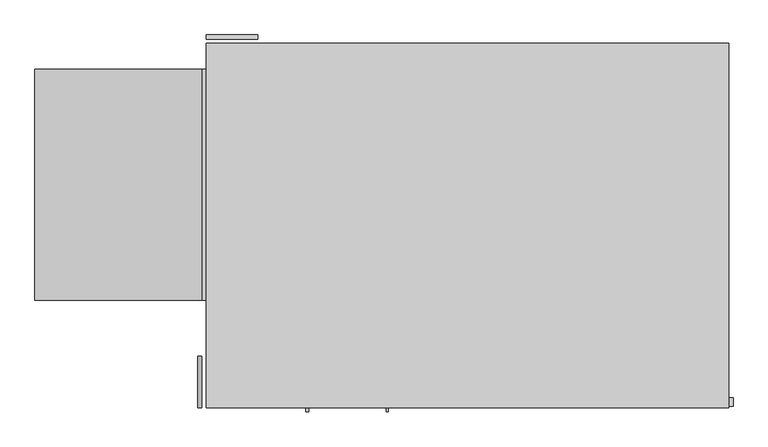
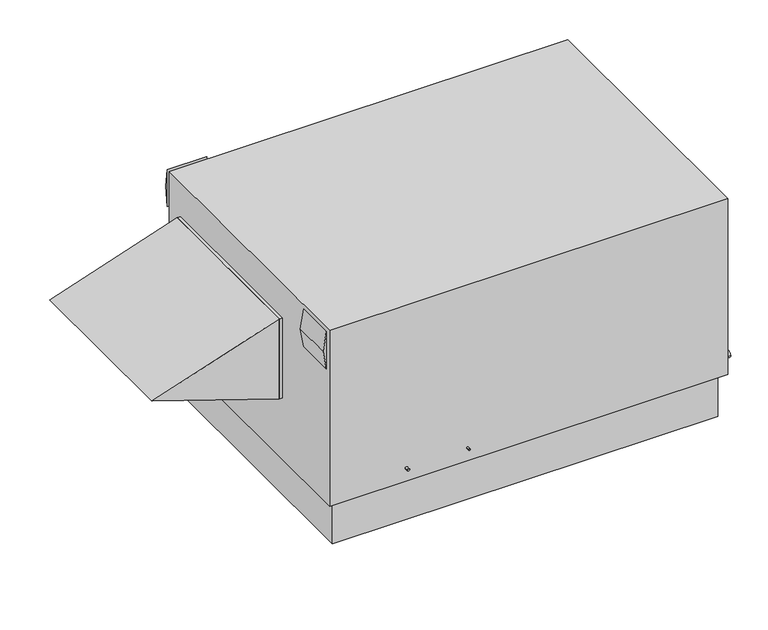
"""IFC4 building model written with IfcOpenShell, lengths in millimetres: proxy geometry."""

import ifcopenshell
import ifcopenshell.guid

model = None  # the IFC model being written
_history = None  # IfcOwnerHistory: only IFC2X3 demands one
_inside = {}  # id of a spatial element -> (the spatial element, [elements in it])
_under = {}  # id of a project, library or spatial element -> (it, [spatial elements below it])
_declared = {}  # id of a project -> (the project, [libraries it declares])
_typed = {}  # id of a type object -> (the type object, [elements of that type])
_made_of = {}  # id of a material, layer set ... -> (it, [elements and type objects made of it])


def new_model(schema):
    """Start an empty IFC model of exactly this schema.

    Asked for "IFC4X3", IfcOpenShell would pick the latest addendum, in which some entities
    have other attributes; the version numbers below select the first issue.
    IFC2X3 requires an IfcOwnerHistory on every rooted entity: one is made here for all.
    """
    global model, _history
    if schema == "IFC4X3":
        model = ifcopenshell.file(schema_version=(4, 3, 0, 0))
    else:
        model = ifcopenshell.file(schema=schema)
    _inside.clear()
    _under.clear()
    _declared.clear()
    _typed.clear()
    _made_of.clear()
    _history = None
    if model.schema == "IFC2X3":
        org = make("IfcOrganization", Name="unknown")
        user = make(
            "IfcPersonAndOrganization",
            ThePerson=make("IfcPerson", FamilyName="unknown"),
            TheOrganization=org,
        )
        app = make(
            "IfcApplication",
            ApplicationDeveloper=org,
            Version="unknown",
            ApplicationFullName="unknown",
            ApplicationIdentifier="unknown",
        )
        _history = make(
            "IfcOwnerHistory",
            OwningUser=user,
            OwningApplication=app,
            ChangeAction="ADDED",
            CreationDate=0,
        )
    return model


def make(cls, **values):
    """One entity of the class cls with the attributes given. An attribute that is None is left unset."""
    return model.create_entity(
        cls, **{name: value for name, value in values.items() if value is not None}
    )


def rooted(cls, **values):
    """An entity with a GlobalId (a new one), such as an element, a storey or a relation."""
    return make(cls, GlobalId=ifcopenshell.guid.new(), OwnerHistory=_history, **values)


def si_unit(unit_type, name, prefix=None):
    """IfcSIUnit, for example si_unit("LENGTHUNIT", "METRE", prefix="MILLI")."""
    return make("IfcSIUnit", UnitType=unit_type, Prefix=prefix, Name=name)


def assignment(units):
    """IfcUnitAssignment: the units of a project."""
    return None if units is None else make("IfcUnitAssignment", Units=units)


def point(xyz):
    """IfcCartesianPoint."""
    return None if xyz is None else make("IfcCartesianPoint", Coordinates=xyz)


def direction(xyz):
    """IfcDirection."""
    return None if xyz is None else make("IfcDirection", DirectionRatios=xyz)


def frame(location, z_axis=None, x_axis=None):
    """IfcAxis2Placement3D, a coordinate frame: its origin and axes. An axis left out is left unset."""
    return make(
        "IfcAxis2Placement3D",
        Location=point(location),
        Axis=direction(z_axis),
        RefDirection=direction(x_axis),
    )


def origin():
    """The frame at (0, 0, 0) with its axes left unset."""
    return frame((0.0, 0.0, 0.0))


def place(relative_to, where):
    """IfcLocalPlacement: puts the frame where relative to a parent placement (None: the world)."""
    return make(
        "IfcLocalPlacement", PlacementRelTo=relative_to, RelativePlacement=where
    )


def context(
    kind, dimensions, precision=None, world=None, true_north=None, identifier=None
):
    """IfcGeometricRepresentationContext, for example the 3D "Model" context."""
    return make(
        "IfcGeometricRepresentationContext",
        ContextIdentifier=identifier,
        ContextType=kind,
        CoordinateSpaceDimension=dimensions,
        Precision=precision,
        WorldCoordinateSystem=world,
        TrueNorth=true_north,
    )


def project(units=None, contexts=None):
    """IfcProject with its units and contexts."""
    return rooted(
        "IfcProject",
        Name="project",
        RepresentationContexts=contexts,
        UnitsInContext=assignment(units),
    )


def spatial(cls, under=None, at=None, **own):
    """A site, building, storey or space (cls), placed at a placement, below another one or the project."""
    s = rooted(cls, ObjectPlacement=at, **own)
    if under is not None:
        _under.setdefault(under.id(), (under, []))[1].append(s)
    return s


def polyline(points):
    """IfcPolyline through the points."""
    return make("IfcPolyline", Points=[point(p) for p in points])


def circle_curve(where, radius):
    """IfcCircle in the frame where."""
    return make("IfcCircle", Position=where, Radius=radius)


def outline(outer, holes=None, kind="AREA"):
    """IfcArbitraryClosedProfileDef: a profile drawn as a closed curve; with holes, ...WithVoids."""
    if holes is None:
        return make("IfcArbitraryClosedProfileDef", ProfileType=kind, OuterCurve=outer)
    return make(
        "IfcArbitraryProfileDefWithVoids",
        ProfileType=kind,
        OuterCurve=outer,
        InnerCurves=holes,
    )


def extrude(swept, where, along, depth):
    """IfcExtrudedAreaSolid: the profile swept, set in the frame where, extruded along a direction by depth."""
    return make(
        "IfcExtrudedAreaSolid",
        SweptArea=swept,
        Position=where,
        ExtrudedDirection=direction(along),
        Depth=depth,
    )


def shape(context_of_items, identifier, shape_type, items):
    """IfcShapeRepresentation: the items that make up one representation, for example the "Body"."""
    return make(
        "IfcShapeRepresentation",
        ContextOfItems=context_of_items,
        RepresentationIdentifier=identifier,
        RepresentationType=shape_type,
        Items=items,
    )


def source(mapping_origin, context_of_items, identifier, shape_type, items):
    """IfcRepresentationMap: a shape defined once, which mapped items show again and again."""
    return make(
        "IfcRepresentationMap",
        MappingOrigin=mapping_origin,
        MappedRepresentation=shape(context_of_items, identifier, shape_type, items),
    )


def transform(
    local_origin,
    x_axis=None,
    y_axis=None,
    z_axis=None,
    scale=None,
    scale2=None,
    scale3=None,
    uniform=True,
):
    """IfcCartesianTransformationOperator3D, or its non-uniform kind. x_axis, y_axis, z_axis: its Axis1, 2, 3."""
    if uniform:
        return make(
            "IfcCartesianTransformationOperator3D",
            Axis1=direction(x_axis),
            Axis2=direction(y_axis),
            LocalOrigin=point(local_origin),
            Scale=scale,
            Axis3=direction(z_axis),
        )
    return make(
        "IfcCartesianTransformationOperator3DnonUniform",
        Axis1=direction(x_axis),
        Axis2=direction(y_axis),
        LocalOrigin=point(local_origin),
        Scale=scale,
        Axis3=direction(z_axis),
        Scale2=scale2,
        Scale3=scale3,
    )


def mapped(mapping_source, mapping_target):
    """IfcMappedItem: shows the shape of a source again, moved by a transform."""
    return make(
        "IfcMappedItem", MappingSource=mapping_source, MappingTarget=mapping_target
    )


def made_of(thing, what):
    """Note that an element or type object is made of a material, layer set ...; save() writes the relation."""
    if what is not None:
        _made_of.setdefault(what.id(), (what, []))[1].append(thing)
    return thing


def element(
    cls,
    number,
    at=None,
    inside=None,
    cuts=None,
    type_object=None,
    material=None,
    context=None,
    identifier="Body",
    shape_type=None,
    held_by="IfcProductDefinitionShape",
    body=None,
    shapes=None,
    **own,
):
    """One element of the class cls, such as IfcWall. Its Tag is "e" and its number.

    at: its placement. inside: the storey or other place that contains it. cuts: it is an
    opening in that element (IfcRelVoidsElement). A single representation is given by context,
    identifier, shape_type and body (its items); several are given by shapes. held_by: the class
    of the entity that holds the representations. save() writes the other relations.
    """
    e = rooted(cls, Tag="e%d" % number, ObjectPlacement=at, **own)
    if body is not None:
        shapes = [shape(context, identifier, shape_type, body)]
    if shapes is not None:
        e.Representation = make(held_by, Representations=shapes)
    if inside is not None:
        _inside.setdefault(inside.id(), (inside, []))[1].append(e)
    if cuts is not None:
        rooted(
            "IfcRelVoidsElement", RelatingBuildingElement=cuts, RelatedOpeningElement=e
        )
    if type_object is not None:
        _typed.setdefault(type_object.id(), (type_object, []))[1].append(e)
    return made_of(e, material)


def aggregate(whole, parts):
    """IfcRelAggregates: a whole, such as a stair, and the parts it consists of."""
    return rooted("IfcRelAggregates", RelatingObject=whole, RelatedObjects=parts)


def save(model, path):
    """Write the relations noted so far, then the file.

    IfcRelAggregates (storeys below a building ...), IfcRelContainedInSpatialStructure (elements
    in a storey), IfcRelDefinesByType, IfcRelAssociatesMaterial and IfcRelDeclares: one each for
    every whole, place, type object, material and project.
    """
    for whole, parts in _under.values():
        aggregate(whole, parts)
    for where, things in _inside.values():
        rooted(
            "IfcRelContainedInSpatialStructure",
            RelatedElements=things,
            RelatingStructure=where,
        )
    for kind, things in _typed.values():
        rooted("IfcRelDefinesByType", RelatedObjects=things, RelatingType=kind)
    for what, things in _made_of.values():
        rooted("IfcRelAssociatesMaterial", RelatedObjects=things, RelatingMaterial=what)
    for by, libraries in _declared.values():
        rooted("IfcRelDeclares", RelatingContext=by, RelatedDefinitions=libraries)
    model.write(path)


def plane_surface(at):
    """IfcPlane: the flat surface through the origin of the frame at, square to its z axis."""
    return make("IfcPlane", Position=at)


def cylinder_surface(at, radius):
    """IfcCylindricalSurface: all points at the distance radius from the z axis of the frame at."""
    return make("IfcCylindricalSurface", Position=at, Radius=radius)


def advanced_brep(points, edges, surfaces, faces):
    """IfcAdvancedBrep: a solid bounded by faces that lie on surfaces and meet in shared edges.

    An edge is (start, end): straight between two places in points (the first is 0);
    or (start, end, curve); or (start, end, curve, False) where it runs against its curve.
    A face is (place in surfaces, loops), or (place, loops, False) where it looks against
    its surface's normal. A loop lists edges by number (the first is 1), with a minus sign
    where the edge is run from its end to its start. The first loop is the outer one.
    """
    corners = [point(p) for p in points]
    vertices = [make("IfcVertexPoint", VertexGeometry=c) for c in corners]
    made = []
    for start, end, *more in edges:
        made.append(
            make(
                "IfcEdgeCurve",
                EdgeStart=vertices[start],
                EdgeEnd=vertices[end],
                EdgeGeometry=more[0] if more else make("IfcPolyline", Points=[corners[start], corners[end]]),
                SameSense=more[1] if len(more) > 1 else True,
            )
        )
    hull = []
    for where, loops, *sense in faces:
        bounds = []
        for j, loop in enumerate(loops):
            ring = [make("IfcOrientedEdge", EdgeElement=made[abs(k) - 1], Orientation=k > 0) for k in loop]
            bounds.append(
                make(
                    "IfcFaceOuterBound" if j == 0 else "IfcFaceBound",
                    Bound=make("IfcEdgeLoop", EdgeList=ring),
                    Orientation=True,
                )
            )
        hull.append(make("IfcAdvancedFace", Bounds=bounds, FaceSurface=surfaces[where], SameSense=sense[0] if sense else True))
    return make("IfcAdvancedBrep", Outer=make("IfcClosedShell", CfsFaces=hull))


def mechanical_equipment_b6ca639b(model_context):
    return source(origin(), model_context, "Body", "SolidModel", [
        extrude(outline(polyline([(508.0, -3124.2), (1168.4, -3124.2), (838.2, -4114.8), (508.0, -3124.2)])), frame((0.0, 635.0, 0.0), z_axis=(0.0, 1.0, 0.0), x_axis=(0.0, 0.0, 1.0)), (0.0, 0.0, 1.0), 1371.6),
        extrude(outline(polyline([(-3124.2, 635.0), (-3124.2, 2006.6), (-3098.8, 2006.6), (-3098.8, 635.0), (-3124.2, 635.0)])), frame((0.0, 0.0, 508.0), z_axis=(0.0, 0.0, 1.0), x_axis=(1.0, 0.0, 0.0)), (0.0, 0.0, 1.0), 660.4),
        extrude(outline(polyline([(1143.0, -3124.2), (1447.8, -3124.2), (1295.4, -3149.6), (1143.0, -3124.2)])), frame((0.0, 0.0, 0.0), z_axis=(0.0, 1.0, 0.0), x_axis=(0.0, 0.0, 1.0)), (0.0, 0.0, 1.0), 304.8),
        extrude(outline(polyline([(2184.4, 1143.0), (2184.4, 1447.8), (2209.8, 1295.4), (2184.4, 1143.0)])), frame((-3098.8, 0.0, 0.0), z_axis=(1.0, 0.0, 0.0), x_axis=(0.0, 1.0, 0.0)), (0.0, 0.0, 1.0), 304.8),
        extrude(outline(polyline([(-50.8, 2108.2), (-50.8, 50.8), (-3048.0, 50.8), (-3048.0, 2108.2), (-50.8, 2108.2)])), frame((0.0, 0.0, -355.6), z_axis=(0.0, 0.0, 1.0), x_axis=(1.0, 0.0, 0.0)), (0.0, 0.0, 1.0), 355.6),
        advanced_brep(
        [(0.0, 2159.0, 1447.8), (-3098.8, 2159.0, 1447.8), (-3098.8, 0.0, 1447.8), (0.0, 0.0, 1447.8), (0.0, 2159.0, 0.0), (0.0, 0.0, 0.0), (-3098.8, 0.0, 0.0), (-3098.8, 2159.0, 0.0), (-2438.4, 2057.4, 0.0), (-2997.2, 2057.4, 0.0), (-2997.2, 76.2, 0.0), (-2438.4, 76.2, 0.0), (-1041.4, 2057.4, 0.0), (-1752.6, 2057.4, 0.0), (-1752.6, 279.4, 0.0), (-1041.4, 279.4, 0.0), (-2019.3, 0.0, 107.95), (-2032.0, 0.0, 107.95), (-2490.7875, 0.0, 107.95), (-2509.8375, 0.0, 107.95), (0.0, 58.7375, 142.875), (0.0, 7.9375, 142.875), (-2438.4, 2057.4, 107.95), (-2438.4, 76.2, 107.95), (-2997.2, 76.2, 107.95), (-2997.2, 2057.4, 107.95), (-1041.4, 2057.4, 107.95), (-1041.4, 279.4, 107.95), (-1752.6, 279.4, 107.95), (-1752.6, 2057.4, 107.95), (-2032.0, -25.5724411, 107.95), (-2019.3, -25.5724411, 107.95), (25.4, 7.9375, 142.875), (25.4, 58.7375, 142.875), (-2509.8375, -25.5724411, 107.95), (-2490.7875, -25.5724411, 107.95)],
        [
            (0, 1),
            (1, 2),
            (2, 3),
            (3, 0),
            (4, 5),
            (5, 6),
            (6, 7),
            (7, 4),
            (8, 9),
            (9, 10),
            (10, 11),
            (11, 8),
            (12, 13),
            (13, 14),
            (14, 15),
            (15, 12),
            (0, 4),
            (7, 1),
            (6, 2),
            (5, 3),
            (16, 17, circle_curve(frame((-2025.65, 0.0, 107.95), z_axis=(0.0, 1.0, 0.0), x_axis=(1.0, 0.0, 0.0)), 6.35)),
            (17, 16, circle_curve(frame((-2025.65, 0.0, 107.95), z_axis=(0.0, 1.0, 0.0), x_axis=(1.0, 0.0, 0.0)), 6.35)),
            (18, 19, circle_curve(frame((-2500.3125, 0.0, 107.95), z_axis=(0.0, 1.0, 0.0), x_axis=(1.0, 0.0, 0.0)), 9.525)),
            (19, 18, circle_curve(frame((-2500.3125, 0.0, 107.95), z_axis=(0.0, 1.0, 0.0), x_axis=(1.0, 0.0, 0.0)), 9.525)),
            (20, 21, circle_curve(frame((0.0, 33.3375, 142.875), z_axis=(-1.0, 0.0, 0.0), x_axis=(0.0, 1.0, 0.0)), 25.4)),
            (21, 20, circle_curve(frame((0.0, 33.3375, 142.875), z_axis=(-1.0, 0.0, 0.0), x_axis=(0.0, 1.0, 0.0)), 25.4)),
            (22, 23),
            (23, 24),
            (24, 25),
            (25, 22),
            (26, 27),
            (27, 28),
            (28, 29),
            (29, 26),
            (25, 9),
            (8, 22),
            (24, 10),
            (23, 11),
            (29, 13),
            (12, 26),
            (28, 14),
            (27, 15),
            (30, 31, circle_curve(frame((-2025.65, -25.5724411, 107.95), z_axis=(0.0, -1.0, 0.0), x_axis=(1.0, 0.0, 0.0)), 6.35)),
            (31, 30, circle_curve(frame((-2025.65, -25.5724411, 107.95), z_axis=(0.0, -1.0, 0.0), x_axis=(1.0, 0.0, 0.0)), 6.35)),
            (30, 17),
            (16, 31),
            (32, 33, circle_curve(frame((25.4, 33.3375, 142.875), z_axis=(1.0, 0.0, 0.0), x_axis=(0.0, 1.0, 0.0)), 25.4)),
            (33, 32, circle_curve(frame((25.4, 33.3375, 142.875), z_axis=(1.0, 0.0, 0.0), x_axis=(0.0, 1.0, 0.0)), 25.4)),
            (32, 21),
            (20, 33),
            (34, 35, circle_curve(frame((-2500.3125, -25.5724411, 107.95), z_axis=(0.0, -1.0, 0.0), x_axis=(1.0, 0.0, 0.0)), 9.525)),
            (35, 34, circle_curve(frame((-2500.3125, -25.5724411, 107.95), z_axis=(0.0, -1.0, 0.0), x_axis=(1.0, 0.0, 0.0)), 9.525)),
            (34, 19),
            (18, 35),
        ],
        [
            plane_surface(frame((-3098.8, 2159.0, 1447.8), z_axis=(0.0, 0.0, 1.0), x_axis=(-1.0, 0.0, 0.0))),
            plane_surface(frame((-3098.8, 2159.0, 0.0), z_axis=(0.0, 0.0, -1.0), x_axis=(1.0, 0.0, 0.0))),
            plane_surface(frame((0.0, 2159.0, 1447.8), z_axis=(0.0, 1.0, 0.0), x_axis=(0.0, 0.0, -1.0))),
            plane_surface(frame((-3098.8, 2159.0, 1447.8), z_axis=(-1.0, 0.0, 0.0), x_axis=(0.0, 0.0, -1.0))),
            plane_surface(frame((-3098.8, 0.0, 1447.8), z_axis=(0.0, -1.0, 0.0), x_axis=(0.0, 0.0, -1.0))),
            plane_surface(frame((0.0, 0.0, 1447.8), z_axis=(1.0, 0.0, 0.0), x_axis=(0.0, 0.0, -1.0))),
            plane_surface(frame((-2997.2, 2057.4, 107.95), z_axis=(0.0, 0.0, -1.0), x_axis=(-1.0, 0.0, 0.0))),
            plane_surface(frame((-2438.4, 2057.4, 107.95), z_axis=(0.0, -1.0, 0.0), x_axis=(0.0, 0.0, -1.0))),
            plane_surface(frame((-2997.2, 2057.4, 107.95), z_axis=(1.0, 0.0, 0.0), x_axis=(0.0, 0.0, -1.0))),
            plane_surface(frame((-2997.2, 76.2, 107.95), z_axis=(0.0, 1.0, 0.0), x_axis=(0.0, 0.0, -1.0))),
            plane_surface(frame((-2438.4, 76.2, 107.95), z_axis=(-1.0, 0.0, 0.0), x_axis=(0.0, 0.0, -1.0))),
            plane_surface(frame((-1041.4, 2057.4, 107.95), z_axis=(0.0, -1.0, 0.0), x_axis=(0.0, 0.0, -1.0))),
            plane_surface(frame((-1752.6, 2057.4, 107.95), z_axis=(1.0, 0.0, 0.0), x_axis=(0.0, 0.0, -1.0))),
            plane_surface(frame((-1752.6, 279.4, 107.95), z_axis=(0.0, 1.0, 0.0), x_axis=(0.0, 0.0, -1.0))),
            plane_surface(frame((-1041.4, 279.4, 107.95), z_axis=(-1.0, 0.0, 0.0), x_axis=(0.0, 0.0, -1.0))),
            plane_surface(frame((-2019.3, -25.5724411, 107.95), z_axis=(0.0, -1.0, 0.0), x_axis=(0.0, 0.0, 1.0))),
            cylinder_surface(frame((-2025.65, 0.0, 107.95), z_axis=(0.0, -1.0, 0.0), x_axis=(1.0, 0.0, 0.0)), 6.35),
            plane_surface(frame((25.4, 58.7375, 142.875), z_axis=(1.0, 0.0, 0.0), x_axis=(0.0, 0.0, 1.0))),
            cylinder_surface(frame((0.0, 33.3375, 142.875), z_axis=(1.0, 0.0, 0.0), x_axis=(0.0, 1.0, 0.0)), 25.4),
            plane_surface(frame((-2490.7875, -25.5724411, 107.95), z_axis=(0.0, -1.0, 0.0), x_axis=(0.0, 0.0, 1.0))),
            cylinder_surface(frame((-2500.3125, 0.0, 107.95), z_axis=(0.0, -1.0, 0.0), x_axis=(1.0, 0.0, 0.0)), 9.525),
        ],
        [
            (0, [[1, 2, 3, 4]]),
            (1, [[5, 6, 7, 8], [9, 10, 11, 12], [13, 14, 15, 16]]),
            (2, [[-1, 17, -8, 18]]),
            (3, [[-2, -18, -7, 19]]),
            (4, [[-3, -19, -6, 20], [21, 22], [23, 24]]),
            (5, [[-4, -20, -5, -17], [25, 26]]),
            (6, [[27, 28, 29, 30]]),
            (6, [[31, 32, 33, 34]]),
            (7, [[-30, 35, -9, 36]]),
            (8, [[-29, 37, -10, -35]]),
            (9, [[-28, 38, -11, -37]]),
            (10, [[-27, -36, -12, -38]]),
            (11, [[-34, 39, -13, 40]]),
            (12, [[-33, 41, -14, -39]]),
            (13, [[-32, 42, -15, -41]]),
            (14, [[-31, -40, -16, -42]]),
            (15, [[43, 44]]),
            (16, [[-43, 45, -21, 46]]),
            (16, [[-44, -46, -22, -45]]),
            (17, [[47, 48]]),
            (18, [[-47, 49, -25, 50]]),
            (18, [[-48, -50, -26, -49]]),
            (19, [[51, 52]]),
            (20, [[-51, 53, -23, 54]]),
            (20, [[-52, -54, -24, -53]]),
        ],
    ),
    ])


if __name__ == "__main__":
    model = new_model("IFC4")
    model_context = context("Model", 3, world=origin())
    ifc_project = project(units=[si_unit("LENGTHUNIT", "METRE", prefix="MILLI")], contexts=[model_context])
    site = spatial("IfcSite", under=ifc_project)
    building = spatial("IfcBuilding", under=site)
    placement = place(None, origin())
    mechanical_equipment_shape = mechanical_equipment_b6ca639b(model_context)
    element("IfcBuildingElementProxy", 1, Name="Mechanical Equipment", at=placement, inside=building, context=model_context, shape_type="MappedRepresentation", body=[
        mapped(mechanical_equipment_shape, transform((0.0, 0.0, 0.0), x_axis=(1.0, 0.0, 0.0), y_axis=(0.0, 1.0, 0.0), z_axis=(0.0, 0.0, 1.0))),
    ])
    save(model, "model.ifc")
